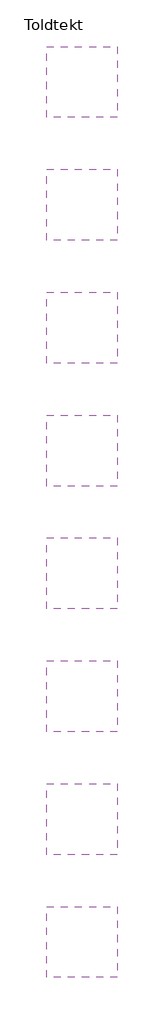
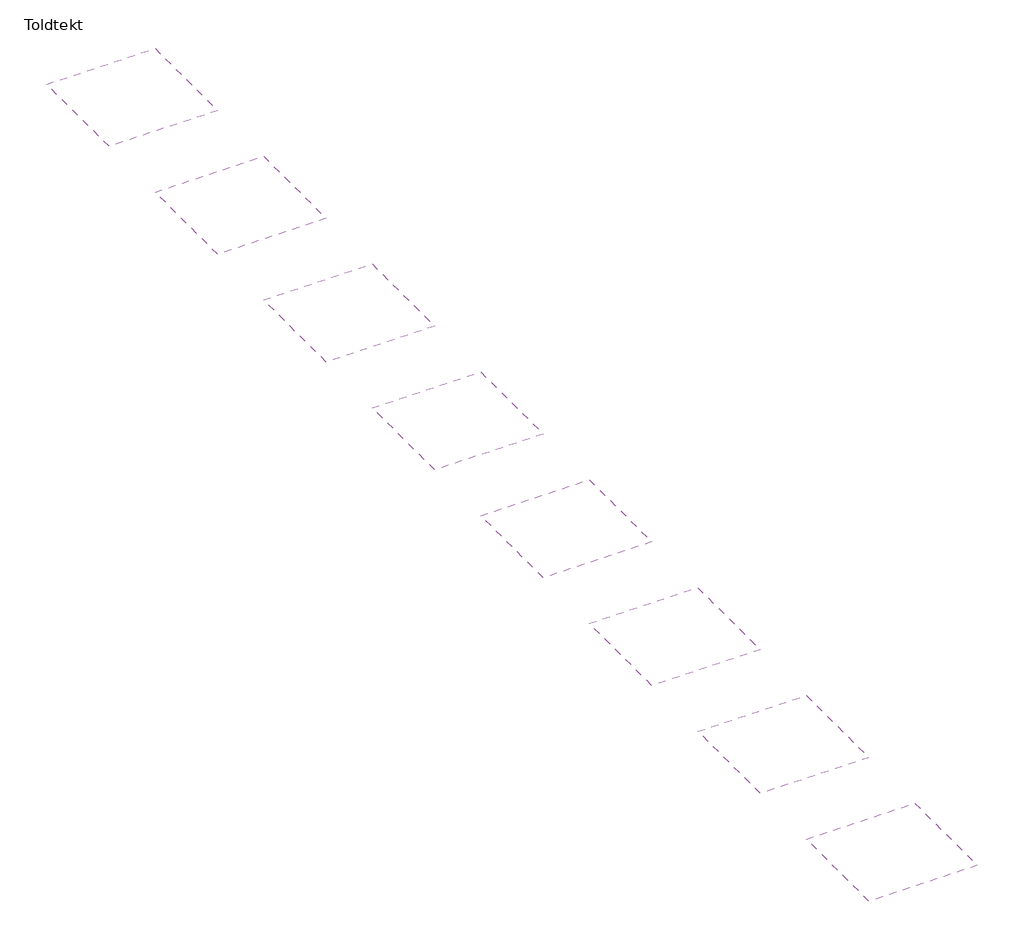
# One storey: 8 coverings.
"""IFC4 building model written with IfcOpenShell, lengths in millimetres."""

import ifcopenshell
import ifcopenshell.guid

model = None  # the IFC model being written
_history = None  # IfcOwnerHistory: only IFC2X3 demands one
_inside = {}  # id of a spatial element -> (the spatial element, [elements in it])
_under = {}  # id of a project, library or spatial element -> (it, [spatial elements below it])
_declared = {}  # id of a project -> (the project, [libraries it declares])
_typed = {}  # id of a type object -> (the type object, [elements of that type])
_made_of = {}  # id of a material, layer set ... -> (it, [elements and type objects made of it])


def new_model(schema):
    """Start an empty IFC model of exactly this schema.

    Asked for "IFC4X3", IfcOpenShell would pick the latest addendum, in which some entities
    have other attributes; the version numbers below select the first issue.
    IFC2X3 requires an IfcOwnerHistory on every rooted entity: one is made here for all.
    """
    global model, _history
    if schema == "IFC4X3":
        model = ifcopenshell.file(schema_version=(4, 3, 0, 0))
    else:
        model = ifcopenshell.file(schema=schema)
    _inside.clear()
    _under.clear()
    _declared.clear()
    _typed.clear()
    _made_of.clear()
    _history = None
    if model.schema == "IFC2X3":
        org = make("IfcOrganization", Name="unknown")
        user = make(
            "IfcPersonAndOrganization",
            ThePerson=make("IfcPerson", FamilyName="unknown"),
            TheOrganization=org,
        )
        app = make(
            "IfcApplication",
            ApplicationDeveloper=org,
            Version="unknown",
            ApplicationFullName="unknown",
            ApplicationIdentifier="unknown",
        )
        _history = make(
            "IfcOwnerHistory",
            OwningUser=user,
            OwningApplication=app,
            ChangeAction="ADDED",
            CreationDate=0,
        )
    return model


def make(cls, **values):
    """One entity of the class cls with the attributes given. An attribute that is None is left unset."""
    return model.create_entity(
        cls, **{name: value for name, value in values.items() if value is not None}
    )


def rooted(cls, **values):
    """An entity with a GlobalId (a new one), such as an element, a storey or a relation."""
    return make(cls, GlobalId=ifcopenshell.guid.new(), OwnerHistory=_history, **values)


def si_unit(unit_type, name, prefix=None):
    """IfcSIUnit, for example si_unit("LENGTHUNIT", "METRE", prefix="MILLI")."""
    return make("IfcSIUnit", UnitType=unit_type, Prefix=prefix, Name=name)


def assignment(units):
    """IfcUnitAssignment: the units of a project."""
    return None if units is None else make("IfcUnitAssignment", Units=units)


def point(xyz):
    """IfcCartesianPoint."""
    return None if xyz is None else make("IfcCartesianPoint", Coordinates=xyz)


def direction(xyz):
    """IfcDirection."""
    return None if xyz is None else make("IfcDirection", DirectionRatios=xyz)


def frame(location, z_axis=None, x_axis=None):
    """IfcAxis2Placement3D, a coordinate frame: its origin and axes. An axis left out is left unset."""
    return make(
        "IfcAxis2Placement3D",
        Location=point(location),
        Axis=direction(z_axis),
        RefDirection=direction(x_axis),
    )


def origin():
    """The frame at (0, 0, 0) with its axes left unset."""
    return frame((0.0, 0.0, 0.0))


def place(relative_to, where):
    """IfcLocalPlacement: puts the frame where relative to a parent placement (None: the world)."""
    return make(
        "IfcLocalPlacement", PlacementRelTo=relative_to, RelativePlacement=where
    )


def context(
    kind, dimensions, precision=None, world=None, true_north=None, identifier=None
):
    """IfcGeometricRepresentationContext, for example the 3D "Model" context."""
    return make(
        "IfcGeometricRepresentationContext",
        ContextIdentifier=identifier,
        ContextType=kind,
        CoordinateSpaceDimension=dimensions,
        Precision=precision,
        WorldCoordinateSystem=world,
        TrueNorth=true_north,
    )


def project(units=None, contexts=None):
    """IfcProject with its units and contexts."""
    return rooted(
        "IfcProject",
        Name="project",
        RepresentationContexts=contexts,
        UnitsInContext=assignment(units),
    )


def spatial(cls, under=None, at=None, **own):
    """A site, building, storey or space (cls), placed at a placement, below another one or the project."""
    s = rooted(cls, ObjectPlacement=at, **own)
    if under is not None:
        _under.setdefault(under.id(), (under, []))[1].append(s)
    return s


def polyline(points):
    """IfcPolyline through the points."""
    return make("IfcPolyline", Points=[point(p) for p in points])


def outline(outer, holes=None, kind="AREA"):
    """IfcArbitraryClosedProfileDef: a profile drawn as a closed curve; with holes, ...WithVoids."""
    if holes is None:
        return make("IfcArbitraryClosedProfileDef", ProfileType=kind, OuterCurve=outer)
    return make(
        "IfcArbitraryProfileDefWithVoids",
        ProfileType=kind,
        OuterCurve=outer,
        InnerCurves=holes,
    )


def extrude(swept, where, along, depth):
    """IfcExtrudedAreaSolid: the profile swept, set in the frame where, extruded along a direction by depth."""
    return make(
        "IfcExtrudedAreaSolid",
        SweptArea=swept,
        Position=where,
        ExtrudedDirection=direction(along),
        Depth=depth,
    )


def shape(context_of_items, identifier, shape_type, items):
    """IfcShapeRepresentation: the items that make up one representation, for example the "Body"."""
    return make(
        "IfcShapeRepresentation",
        ContextOfItems=context_of_items,
        RepresentationIdentifier=identifier,
        RepresentationType=shape_type,
        Items=items,
    )


def made_of(thing, what):
    """Note that an element or type object is made of a material, layer set ...; save() writes the relation."""
    if what is not None:
        _made_of.setdefault(what.id(), (what, []))[1].append(thing)
    return thing


def element(
    cls,
    number,
    at=None,
    inside=None,
    cuts=None,
    type_object=None,
    material=None,
    context=None,
    identifier="Body",
    shape_type=None,
    held_by="IfcProductDefinitionShape",
    body=None,
    shapes=None,
    **own,
):
    """One element of the class cls, such as IfcWall. Its Tag is "e" and its number.

    at: its placement. inside: the storey or other place that contains it. cuts: it is an
    opening in that element (IfcRelVoidsElement). A single representation is given by context,
    identifier, shape_type and body (its items); several are given by shapes. held_by: the class
    of the entity that holds the representations. save() writes the other relations.
    """
    e = rooted(cls, Tag="e%d" % number, ObjectPlacement=at, **own)
    if body is not None:
        shapes = [shape(context, identifier, shape_type, body)]
    if shapes is not None:
        e.Representation = make(held_by, Representations=shapes)
    if inside is not None:
        _inside.setdefault(inside.id(), (inside, []))[1].append(e)
    if cuts is not None:
        rooted(
            "IfcRelVoidsElement", RelatingBuildingElement=cuts, RelatedOpeningElement=e
        )
    if type_object is not None:
        _typed.setdefault(type_object.id(), (type_object, []))[1].append(e)
    return made_of(e, material)


def aggregate(whole, parts):
    """IfcRelAggregates: a whole, such as a stair, and the parts it consists of."""
    return rooted("IfcRelAggregates", RelatingObject=whole, RelatedObjects=parts)


def save(model, path):
    """Write the relations noted so far, then the file.

    IfcRelAggregates (storeys below a building ...), IfcRelContainedInSpatialStructure (elements
    in a storey), IfcRelDefinesByType, IfcRelAssociatesMaterial and IfcRelDeclares: one each for
    every whole, place, type object, material and project.
    """
    for whole, parts in _under.values():
        aggregate(whole, parts)
    for where, things in _inside.values():
        rooted(
            "IfcRelContainedInSpatialStructure",
            RelatedElements=things,
            RelatingStructure=where,
        )
    for kind, things in _typed.values():
        rooted("IfcRelDefinesByType", RelatedObjects=things, RelatingType=kind)
    for what, things in _made_of.values():
        rooted("IfcRelAssociatesMaterial", RelatedObjects=things, RelatingMaterial=what)
    for by, libraries in _declared.values():
        rooted("IfcRelDeclares", RelatingContext=by, RelatedDefinitions=libraries)
    model.write(path)


model = new_model("IFC4")

# Units and contexts
model_context = context("Model", 3, world=origin())
ifc_project = project(units=[si_unit("LENGTHUNIT", "METRE", prefix="MILLI")], contexts=[model_context])

# Site, building, storey
site = spatial("IfcSite", under=ifc_project)
building = spatial("IfcBuilding", under=site)
storey = spatial("IfcBuildingStorey", under=building, Name="Toldtekt", Elevation=0.0)

# Coverings
placement = place(None, origin())
element("IfcCovering", 1, at=placement, inside=storey, context=model_context, shape_type="SweptSolid", body=[
    extrude(outline(polyline([(17169.5723108, 29362.9976165), (17169.5723108, 26362.9976165), (14169.5723108, 26362.9976165), (14169.5723108, 29362.9976165), (17169.5723108, 29362.9976165)])), frame((0.0, 0.0, 2600.0), z_axis=(0.0, 0.0, 1.0), x_axis=(1.0, 0.0, 0.0)), (0.0, 0.0, 1.0), 52.0),
])
element("IfcCovering", 2, at=placement, inside=storey, context=model_context, shape_type="SweptSolid", body=[
    extrude(outline(polyline([(17169.5723108, 13763.0338993), (17169.5723108, 10763.0338993), (14169.5723108, 10763.0338993), (14169.5723108, 13763.0338993), (17169.5723108, 13763.0338993)])), frame((0.0, 0.0, 2600.0), z_axis=(0.0, 0.0, 1.0), x_axis=(1.0, 0.0, 0.0)), (0.0, 0.0, 1.0), 52.0),
])
element("IfcCovering", 3, ObjectType="Troldtekt_Plus_C60VAR-C60STR_25+18mm, 600X1200 running bond", at=placement, inside=storey, context=model_context, shape_type="SweptSolid", body=[
    extrude(outline(polyline([(17169.5723108, 24163.0097108), (17169.5723108, 21163.0097108), (14169.5723108, 21163.0097108), (14169.5723108, 24163.0097108), (17169.5723108, 24163.0097108)])), frame((0.0, 0.0, 2600.0), z_axis=(0.0, 0.0, 1.0), x_axis=(1.0, 0.0, 0.0)), (0.0, 0.0, 1.0), 52.0),
])
element("IfcCovering", 4, ObjectType="Troldtekt_Plus_C60VAR-C60STR_25+18mm, 600X1200 stack bond", at=placement, inside=storey, context=model_context, shape_type="SweptSolid", body=[
    extrude(outline(polyline([(17169.5723108, 18963.021805), (17169.5723108, 15963.021805), (14169.5723108, 15963.021805), (14169.5723108, 18963.021805), (17169.5723108, 18963.021805)])), frame((0.0, 0.0, 2600.0), z_axis=(0.0, 0.0, 1.0), x_axis=(1.0, 0.0, 0.0)), (0.0, 0.0, 1.0), 52.0),
])
element("IfcCovering", 5, ObjectType="Troldtekt_Plus_C60VAR-C60STR_25+18mm, 600X2000 stack bond", at=placement, inside=storey, context=model_context, shape_type="SweptSolid", body=[
    extrude(outline(polyline([(17169.5723108, 8563.0459935), (17169.5723108, 5563.0459935), (14169.5723108, 5563.0459935), (14169.5723108, 8563.0459935), (17169.5723108, 8563.0459935)])), frame((0.0, 0.0, 2600.0), z_axis=(0.0, 0.0, 1.0), x_axis=(1.0, 0.0, 0.0)), (0.0, 0.0, 1.0), 52.0),
])
element("IfcCovering", 6, ObjectType="Troldtekt_Plus_C60VAR-C60STR_25+18mm, 600X2400 running bond", at=placement, inside=storey, context=model_context, shape_type="SweptSolid", body=[
    extrude(outline(polyline([(17169.5723108, 3363.0580878), (17169.5723108, 363.0580878), (14169.5723108, 363.0580878), (14169.5723108, 3363.0580878), (17169.5723108, 3363.0580878)])), frame((0.0, 0.0, 2600.0), z_axis=(0.0, 0.0, 1.0), x_axis=(1.0, 0.0, 0.0)), (0.0, 0.0, 1.0), 52.0),
])
element("IfcCovering", 7, ObjectType="Troldtekt_Plus_C60VAR-C60STR_25+18mm, 600X2400 stack bond", at=placement, inside=storey, context=model_context, shape_type="SweptSolid", body=[
    extrude(outline(polyline([(17169.5723108, -1836.929818), (17169.5723108, -4836.929818), (14169.5723108, -4836.929818), (14169.5723108, -1836.929818), (17169.5723108, -1836.929818)])), frame((0.0, 0.0, 2600.0), z_axis=(0.0, 0.0, 1.0), x_axis=(1.0, 0.0, 0.0)), (0.0, 0.0, 1.0), 52.0),
])
element("IfcCovering", 8, ObjectType="Troldtekt_Plus_C60VAR-C60STR_25+18mm, 600X600 running bond", at=placement, inside=storey, context=model_context, shape_type="SweptSolid", body=[
    extrude(outline(polyline([(17169.5723108, 34562.9855223), (17169.5723108, 31562.9855223), (14169.5723108, 31562.9855223), (14169.5723108, 34562.9855223), (17169.5723108, 34562.9855223)])), frame((0.0, 0.0, 2600.0), z_axis=(0.0, 0.0, 1.0), x_axis=(1.0, 0.0, 0.0)), (0.0, 0.0, 1.0), 52.0),
])

save(model, "model.ifc")
